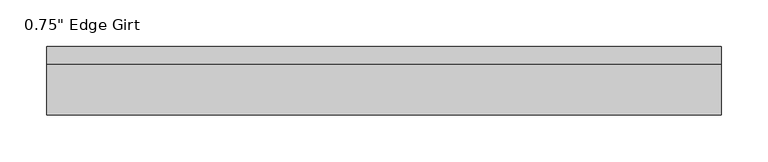
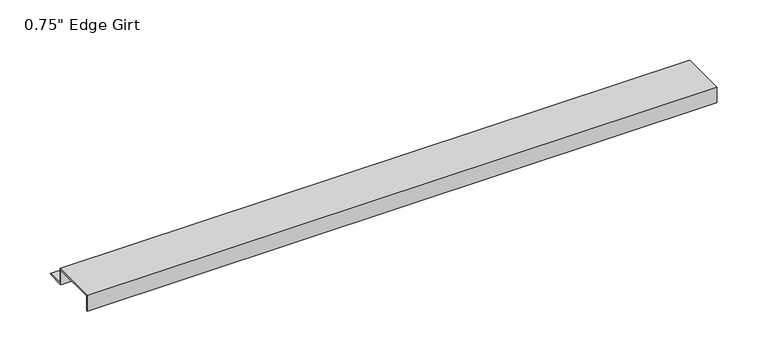
"""IFC4 building model written with IfcOpenShell, lengths in millimetres: proxy geometry."""

from ifc_helpers import new_model, si_unit, frame, origin, place, context, project, spatial, polyline, outline, extrude, source, transform, mapped, element, save


def proxy_91070a1b(model_context):
    return source(origin(), model_context, "Body", "SweptSolid", [
        extrude(outline(polyline([(46.0559645, -17.4375), (25.4, -17.4375), (25.4, 0.0), (-25.4, 0.0), (-25.4, -17.4375), (-27.0129, -17.4375), (-27.0129, 1.6129), (27.0129, 1.6129), (27.0129, -15.8242), (46.0559645, -15.8242), (46.0559645, -17.4375)])), frame((0.0, 0.0, 0.0), z_axis=(1.0, 0.0, 0.0), x_axis=(0.0, 1.0, 0.0)), (0.0, 0.0, 1.0), 720.3518198),
    ])


if __name__ == "__main__":
    model = new_model("IFC4")
    model_context = context("Model", 3, world=origin())
    ifc_project = project(units=[si_unit("LENGTHUNIT", "METRE", prefix="MILLI")], contexts=[model_context])
    site = spatial("IfcSite", under=ifc_project)
    building = spatial("IfcBuilding", under=site)
    placement = place(None, origin())
    proxy_shape = proxy_91070a1b(model_context)
    element("IfcBuildingElementProxy", 1, Name="0.75\" Edge Girt", ObjectType="0.75\" Edge Girt", at=placement, inside=building, context=model_context, shape_type="MappedRepresentation", body=[
        mapped(proxy_shape, transform((0.0, 0.0, 0.0), x_axis=(1.0, 0.0, 0.0), y_axis=(0.0, 1.0, 0.0), z_axis=(0.0, 0.0, 1.0))),
    ])
    save(model, "model.ifc")
